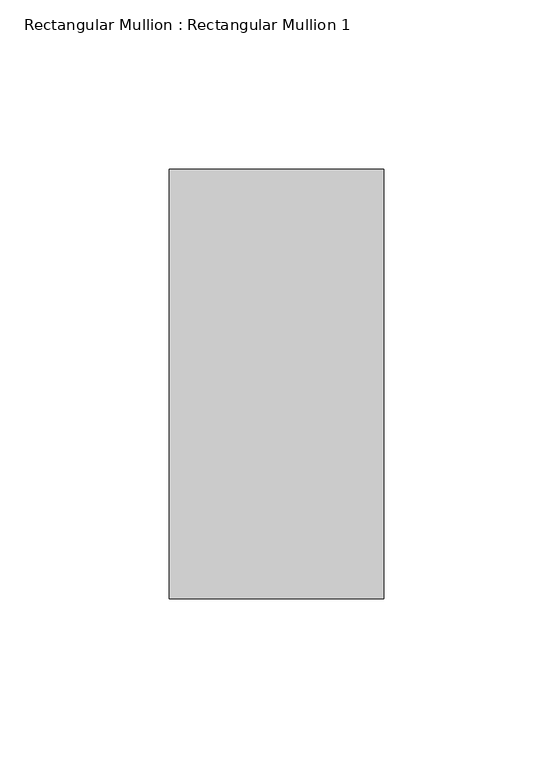
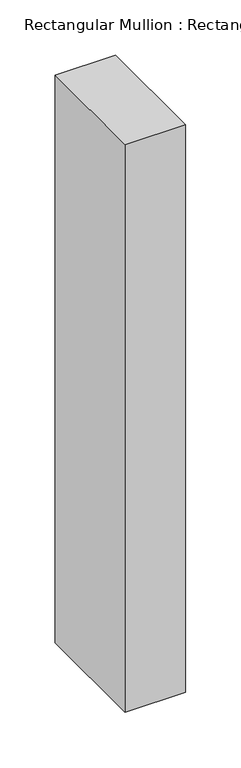
"""IFC4 building model written with IfcOpenShell, lengths in millimetres: member geometry, Rectangular Mullion : Rectangular Mullion 1."""

from ifc_helpers import new_model, si_unit, frame, origin, place, context, project, spatial, polyline, outline, extrude, source, transform, mapped, element, save


def rectangular_mullion_rectangular_mullion_1_00d99baf(model_context):
    return source(origin(), model_context, "Body", "SweptSolid", [
        extrude(outline(polyline([(0.0, 63.5), (0.0, -63.5), (-63.5, -63.5), (-63.5, 63.5), (0.0, 63.5)])), frame((0.0, 0.0, -628.65), z_axis=(0.0, 0.0, 1.0), x_axis=(1.0, 0.0, 0.0)), (0.0, 0.0, 1.0), 628.65),
    ])


if __name__ == "__main__":
    model = new_model("IFC4")
    model_context = context("Model", 3, world=origin())
    ifc_project = project(units=[si_unit("LENGTHUNIT", "METRE", prefix="MILLI")], contexts=[model_context])
    site = spatial("IfcSite", under=ifc_project)
    building = spatial("IfcBuilding", under=site)
    placement = place(None, origin())
    rectangular_mullion_rectangular_mullion_1_shape = rectangular_mullion_rectangular_mullion_1_00d99baf(model_context)
    element("IfcMember", 1, ObjectType="Rectangular Mullion : Rectangular Mullion 1", at=placement, inside=building, context=model_context, shape_type="MappedRepresentation", body=[
        mapped(rectangular_mullion_rectangular_mullion_1_shape, transform((0.0, 0.0, 0.0), x_axis=(1.0, 0.0, 0.0), y_axis=(0.0, 1.0, 0.0), z_axis=(0.0, 0.0, 1.0))),
    ])
    save(model, "model.ifc")
